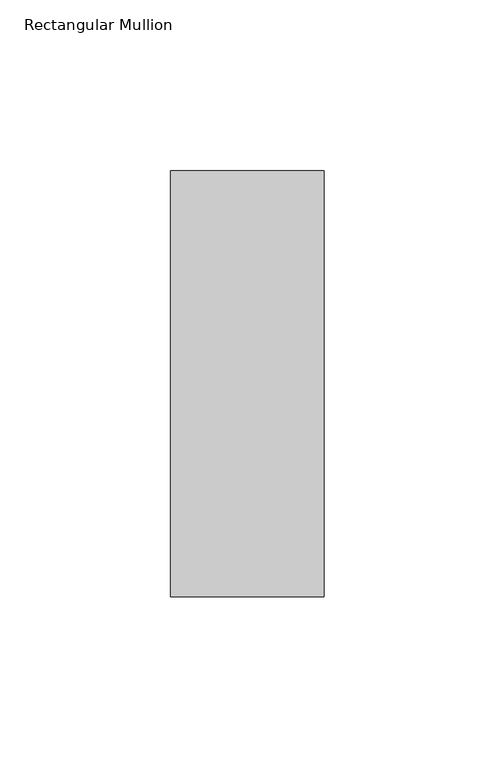
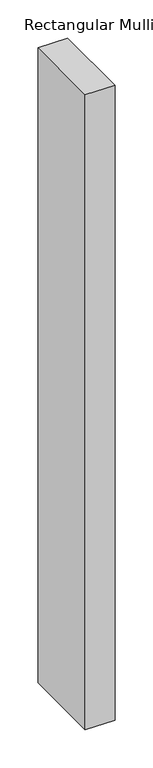
"""IFC4 building model written with IfcOpenShell, lengths in millimetres: member geometry, Rectangular Mullion."""

from ifc_helpers import new_model, si_unit, frame, origin, place, context, project, spatial, polyline, outline, extrude, source, transform, mapped, element, save


def rectangular_mullion_b13fab40(model_context):
    return source(origin(), model_context, "Body", "SweptSolid", [
        extrude(outline(polyline([(0.0, -77.84375), (-45.0, -77.84375), (-45.0, 46.84375), (0.0, 46.84375), (0.0, -77.84375)])), frame((0.0, 0.0, -1019.2429688), z_axis=(0.0, 0.0, 1.0), x_axis=(1.0, 0.0, 0.0)), (0.0, 0.0, 1.0), 1019.2429688),
    ])


if __name__ == "__main__":
    model = new_model("IFC4")
    model_context = context("Model", 3, world=origin())
    ifc_project = project(units=[si_unit("LENGTHUNIT", "METRE", prefix="MILLI")], contexts=[model_context])
    site = spatial("IfcSite", under=ifc_project)
    building = spatial("IfcBuilding", under=site)
    placement = place(None, origin())
    rectangular_mullion_shape = rectangular_mullion_b13fab40(model_context)
    element("IfcMember", 1, ObjectType="Rectangular Mullion", at=placement, inside=building, context=model_context, shape_type="MappedRepresentation", body=[
        mapped(rectangular_mullion_shape, transform((0.0, 0.0, 0.0), x_axis=(1.0, 0.0, 0.0), y_axis=(0.0, 1.0, 0.0), z_axis=(0.0, 0.0, 1.0))),
    ])
    save(model, "model.ifc")
